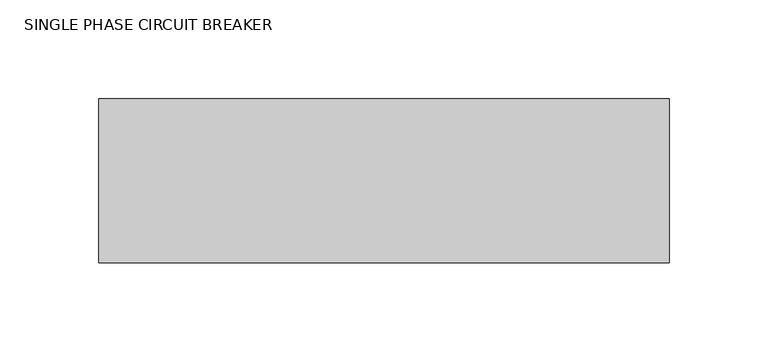
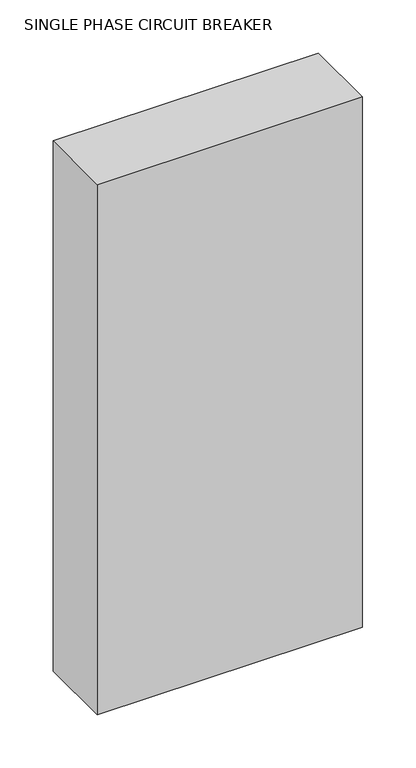
"""IFC4 building model written with IfcOpenShell, lengths in millimetres: proxy geometry, SINGLE PHASE CIRCUIT BREAKER."""

from ifc_helpers import new_model, si_unit, frame, origin, place, context, project, spatial, polyline, outline, extrude, source, transform, mapped, element, save


def single_phase_circuit_breaker_921c0419(model_context):
    return source(origin(), model_context, "Body", "SweptSolid", [
        extrude(outline(polyline([(288.544, 0.0), (288.544, -82.804), (0.0, -82.804), (0.0, 0.0), (288.544, 0.0)])), frame((0.0, 0.0, 1219.2), z_axis=(0.0, 0.0, 1.0), x_axis=(1.0, 0.0, 0.0)), (0.0, 0.0, 1.0), 609.6),
    ])


if __name__ == "__main__":
    model = new_model("IFC4")
    model_context = context("Model", 3, world=origin())
    ifc_project = project(units=[si_unit("LENGTHUNIT", "METRE", prefix="MILLI")], contexts=[model_context])
    site = spatial("IfcSite", under=ifc_project)
    building = spatial("IfcBuilding", under=site)
    placement = place(None, origin())
    single_phase_circuit_breaker_shape = single_phase_circuit_breaker_921c0419(model_context)
    element("IfcBuildingElementProxy", 1, Name="SINGLE PHASE CIRCUIT BREAKER", ObjectType="SINGLE PHASE CIRCUIT BREAKER", at=placement, inside=building, context=model_context, shape_type="MappedRepresentation", body=[
        mapped(single_phase_circuit_breaker_shape, transform((0.0, 0.0, 0.0), x_axis=(1.0, 0.0, 0.0), y_axis=(0.0, 1.0, 0.0), z_axis=(0.0, 0.0, 1.0))),
    ])
    save(model, "model.ifc")
